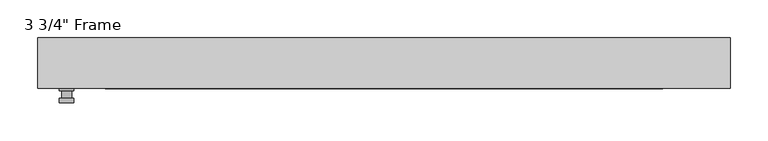
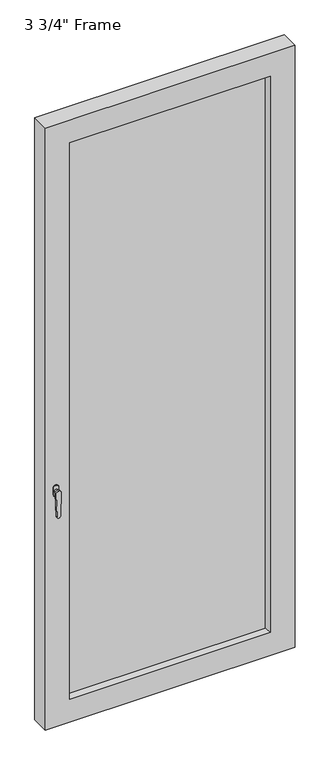
"""IFC4 building model written with IfcOpenShell, lengths in millimetres: plate geometry."""

from ifc_helpers import new_model, si_unit, frame, origin, place, context, project, spatial, polyline, circle_curve, outline, extrude, faceted_brep, source, transform, mapped, element, save
from ifc_brep_helpers import plane_surface, cylinder_surface, advanced_brep


def plate_111c103d(model_context):
    return source(origin(), model_context, "Body", "SolidModel", [
        advanced_brep(
        [(-409.575, -33.3375, 927.1), (-409.575, -33.3375, 901.7), (-428.625, -33.3375, 901.7), (-428.625, -33.3375, 927.1), (-412.75, -46.0375, 914.4), (-425.45, -46.0375, 914.4), (-425.45, -36.5125, 914.4), (-412.75, -36.5125, 914.4), (-409.575, -46.0375, 914.4), (-412.7540356, -46.0375, 825.2736467), (-425.4459644, -46.0375, 825.2736467), (-428.625, -46.0375, 914.4), (-409.575, -52.3875, 914.4), (-428.625, -52.3875, 914.4), (-425.4459644, -52.3875, 825.2736467), (-412.7540356, -52.3875, 825.2736467), (-409.575, -36.5125, 927.1), (-428.625, -36.5125, 927.1), (-428.625, -36.5125, 901.7), (-409.575, -36.5125, 901.7)],
        [
            (0, 1),
            (1, 2, circle_curve(frame((-419.1, -33.3375, 901.7), z_axis=(0.0, 1.0, 0.0), x_axis=(-1.0, 0.0, 0.0)), 9.525)),
            (2, 3),
            (3, 0, circle_curve(frame((-419.1, -33.3375, 927.1), z_axis=(0.0, 1.0, 0.0), x_axis=(-1.0, 0.0, 0.0)), 9.525)),
            (4, 5, circle_curve(frame((-419.1, -46.0375, 914.4), z_axis=(0.0, 1.0, 0.0), x_axis=(-1.0, 0.0, 0.0)), 6.35)),
            (5, 6),
            (6, 7, circle_curve(frame((-419.1, -36.5125, 914.4), z_axis=(0.0, -1.0, 0.0), x_axis=(-1.0, 0.0, 0.0)), 6.35)),
            (7, 4),
            (5, 4, circle_curve(frame((-419.1, -46.0375, 914.4), z_axis=(0.0, 1.0, 0.0), x_axis=(-1.0, 0.0, 0.0)), 6.35)),
            (7, 6, circle_curve(frame((-419.1, -36.5125, 914.4), z_axis=(0.0, -1.0, 0.0), x_axis=(-1.0, 0.0, 0.0)), 6.35)),
            (8, 9),
            (9, 10, circle_curve(frame((-419.1, -46.0375, 825.5), z_axis=(0.0, 1.0, 0.0), x_axis=(-1.0, 0.0, 0.0)), 6.35)),
            (10, 11),
            (11, 8, circle_curve(frame((-419.1, -46.0375, 914.4), z_axis=(0.0, 1.0, 0.0), x_axis=(-1.0, 0.0, 0.0)), 9.525)),
            (12, 13, circle_curve(frame((-419.1, -52.3875, 914.4), z_axis=(0.0, -1.0, 0.0), x_axis=(-1.0, 0.0, 0.0)), 9.525)),
            (13, 14),
            (14, 15, circle_curve(frame((-419.1, -52.3875, 825.5), z_axis=(0.0, -1.0, 0.0), x_axis=(-1.0, 0.0, 0.0)), 6.35)),
            (15, 12),
            (8, 12),
            (15, 9),
            (14, 10),
            (13, 11),
            (16, 17, circle_curve(frame((-419.1, -36.5125, 927.1), z_axis=(0.0, -1.0, 0.0), x_axis=(-1.0, 0.0, 0.0)), 9.525)),
            (17, 18),
            (18, 19, circle_curve(frame((-419.1, -36.5125, 901.7), z_axis=(0.0, -1.0, 0.0), x_axis=(-1.0, 0.0, 0.0)), 9.525)),
            (19, 16),
            (0, 16),
            (19, 1),
            (18, 2),
            (17, 3),
        ],
        [
            plane_surface(frame((-425.45, -33.3375, 914.4), z_axis=(0.0, 1.0, 0.0), x_axis=(0.0, 0.0, 1.0))),
            cylinder_surface(frame((-419.1, -46.0375, 914.4), z_axis=(0.0, 1.0, 0.0), x_axis=(-1.0, 0.0, 0.0)), 6.35),
            plane_surface(frame((-409.575, -46.0375, 914.4), z_axis=(0.0, 1.0000000000000002, 0.0), x_axis=(-0.03564619348186888, 0.0, -0.9993644724975235))),
            plane_surface(frame((-409.575, -52.3875, 914.4), z_axis=(0.0, -1.0000000000000002, 0.0), x_axis=(0.03564619348186888, 0.0, 0.9993644724975235))),
            plane_surface(frame((-409.575, -46.0375, 914.4), z_axis=(0.9993644724975235, 0.0, -0.03564619348186888), x_axis=(0.0, -1.0, 0.0))),
            cylinder_surface(frame((-419.1, -52.3875, 825.5), z_axis=(0.0, 1.0, 0.0), x_axis=(-1.0, 0.0, 0.0)), 6.35),
            plane_surface(frame((-425.4459644, -46.0375, 825.2736467), z_axis=(-0.9993644724975228, 0.0, -0.03564619348188612), x_axis=(0.0, -1.0, 0.0))),
            cylinder_surface(frame((-419.1, -52.3875, 914.4), z_axis=(0.0, 1.0, 0.0), x_axis=(-1.0, 0.0, 0.0)), 9.525),
            plane_surface(frame((-409.575, -36.5125, 901.7), z_axis=(0.0, -1.0, 0.0), x_axis=(0.0, 0.0, 1.0))),
            plane_surface(frame((-409.575, -33.3375, 927.1), z_axis=(1.0, 0.0, 0.0), x_axis=(0.0, -1.0, 0.0))),
            cylinder_surface(frame((-419.1, -36.5125, 901.7), z_axis=(0.0, 1.0, 0.0), x_axis=(-1.0, 0.0, 0.0)), 9.525),
            plane_surface(frame((-428.625, -33.3375, 901.7), z_axis=(-1.0, 0.0, 0.0), x_axis=(0.0, -1.0, 0.0))),
            cylinder_surface(frame((-419.1, -36.5125, 927.1), z_axis=(0.0, 1.0, 0.0), x_axis=(-1.0, 0.0, 0.0)), 9.525),
        ],
        [
            (0, [[1, 2, 3, 4]]),
            (1, [[5, 6, 7, 8]]),
            (1, [[9, -8, 10, -6]]),
            (2, [[11, 12, 13, 14], [-5, -9]]),
            (3, [[15, 16, 17, 18]]),
            (4, [[-11, 19, -18, 20]]),
            (5, [[-12, -20, -17, 21]]),
            (6, [[-13, -21, -16, 22]]),
            (7, [[-14, -22, -15, -19]]),
            (8, [[23, 24, 25, 26], [-7, -10]]),
            (9, [[-1, 27, -26, 28]]),
            (10, [[-2, -28, -25, 29]]),
            (11, [[-3, -29, -24, 30]]),
            (12, [[-4, -30, -23, -27]]),
        ],
    ),
        faceted_brep([(-457.2, -33.3375, 0.0), (-457.2, 33.3375, 0.0), (457.2, 33.3375, 0.0), (457.2, -33.3375, 0.0), (457.2, -33.3375, 2330.45), (-457.2, -33.3375, 2330.45), (-368.3, -33.3375, 2241.55), (368.3, -33.3375, 2241.55), (368.3, -33.3375, 88.9), (-368.3, -33.3375, 88.9), (-457.2, 33.3375, 2330.45), (457.2, 33.3375, 2330.45), (-368.3, 33.3375, 2241.55), (-368.3, 33.3375, 88.9), (368.3, 33.3375, 88.9), (368.3, 33.3375, 2241.55), (-361.95, 11.90625, 2235.2), (-361.95, 11.90625, 95.25), (374.65, 11.90625, 2247.9), (-374.65, 11.90625, 2247.9), (-374.65, 11.90625, 82.55), (374.65, 11.90625, 82.55), (361.95, 11.90625, 2235.2), (361.95, 11.90625, 95.25), (-374.65, -11.90625, 2247.9), (-374.65, -11.90625, 82.55), (374.65, -11.90625, 2247.9), (374.65, -11.90625, 82.55), (-361.95, -11.90625, 2235.2), (-361.95, -11.90625, 95.25), (361.95, -11.90625, 95.25), (361.95, -11.90625, 2235.2)], [[[0, 1, 2, 3]], [[0, 3, 4, 5], [6, 7, 8, 9]], [[1, 0, 5, 10]], [[2, 1, 10, 11], [12, 13, 14, 15]], [[12, 16, 17, 13]], [[18, 19, 20, 21], [16, 22, 23, 17]], [[20, 19, 24, 25]], [[24, 26, 27, 25], [28, 29, 30, 31]], [[28, 6, 9, 29]], [[5, 4, 11, 10]], [[12, 15, 22, 16]], [[19, 18, 26, 24]], [[7, 6, 28, 31]], [[4, 3, 2, 11]], [[22, 15, 14, 23]], [[27, 26, 18, 21]], [[7, 31, 30, 8]], [[9, 8, 30, 29]], [[21, 20, 25, 27]], [[17, 23, 14, 13]]]),
        extrude(outline(polyline([(374.65, -11.90625), (-374.65, -11.90625), (-374.65, 11.90625), (374.65, 11.90625), (374.65, -11.90625)])), frame((0.0, 0.0, 82.55), z_axis=(0.0, 0.0, 1.0), x_axis=(1.0, 0.0, 0.0)), (0.0, 0.0, 1.0), 2165.35),
    ])


if __name__ == "__main__":
    model = new_model("IFC4")
    model_context = context("Model", 3, world=origin())
    ifc_project = project(units=[si_unit("LENGTHUNIT", "METRE", prefix="MILLI")], contexts=[model_context])
    site = spatial("IfcSite", under=ifc_project)
    building = spatial("IfcBuilding", under=site)
    placement = place(None, origin())
    plate_shape = plate_111c103d(model_context)
    element("IfcPlate", 1, ObjectType="3 3/4\" Frame", at=placement, inside=building, context=model_context, shape_type="MappedRepresentation", body=[
        mapped(plate_shape, transform((0.0, 0.0, 0.0), x_axis=(1.0, 0.0, 0.0), y_axis=(0.0, 1.0, 0.0), z_axis=(0.0, 0.0, 1.0))),
    ])
    save(model, "model.ifc")
